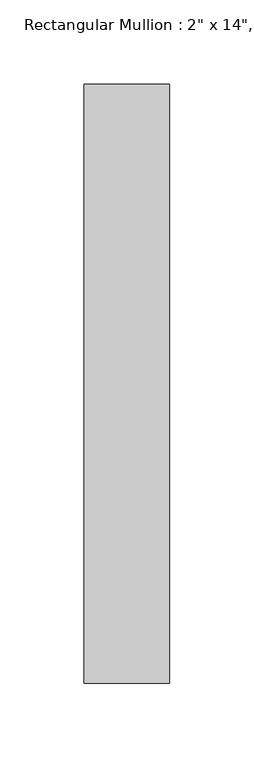
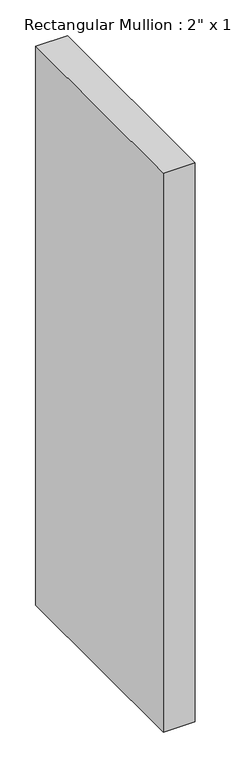
"""IFC4 building model written with IfcOpenShell, lengths in millimetres: member geometry."""

from ifc_helpers import new_model, si_unit, frame, origin, place, context, project, spatial, polyline, outline, extrude, source, transform, mapped, element, save


def member_4572337a(model_context):
    return source(origin(), model_context, "Body", "SweptSolid", [
        extrude(outline(polyline([(0.0, 152.4), (0.0, -203.2), (-50.8, -203.2), (-50.8, 152.4), (0.0, 152.4)])), frame((0.0, 0.0, -949.325), z_axis=(0.0, 0.0, 1.0), x_axis=(1.0, 0.0, 0.0)), (0.0, 0.0, 1.0), 949.325),
    ])


if __name__ == "__main__":
    model = new_model("IFC4")
    model_context = context("Model", 3, world=origin())
    ifc_project = project(units=[si_unit("LENGTHUNIT", "METRE", prefix="MILLI")], contexts=[model_context])
    site = spatial("IfcSite", under=ifc_project)
    building = spatial("IfcBuilding", under=site)
    placement = place(None, origin())
    member_shape = member_4572337a(model_context)
    element("IfcMember", 1, ObjectType="Rectangular Mullion : 2\" x 14\", Offset 1\"", at=placement, inside=building, context=model_context, shape_type="MappedRepresentation", body=[
        mapped(member_shape, transform((0.0, 0.0, 0.0), x_axis=(1.0, 0.0, 0.0), y_axis=(0.0, 1.0, 0.0), z_axis=(0.0, 0.0, 1.0))),
    ])
    save(model, "model.ifc")
